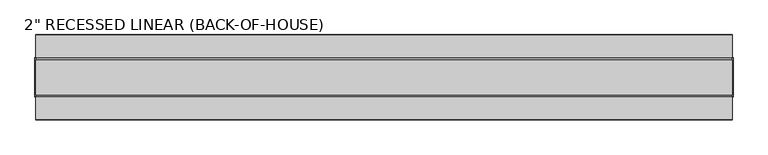
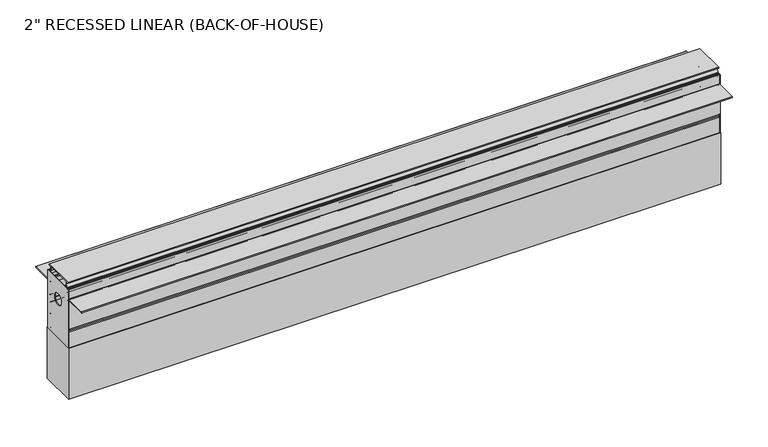
"""IFC4 building model written with IfcOpenShell, lengths in millimetres: light fixture geometry."""

from ifc_helpers import new_model, si_unit, point, frame, frame_2d, origin, place, context, project, spatial, polyline, circle_curve, trimmed, segment, composite_curve, outline, extrude, source, transform, mapped, element, save
from ifc_brep_helpers import plane_surface, cylinder_surface, revolved_surface, advanced_brep


def light_fixture_76d9a781(model_context):
    return source(origin(), model_context, "Body", "SolidModel", [
        extrude(outline(composite_curve([segment(polyline([(33.528, -18.838813), (73.9071029, -18.838813)]), True, "CONTINUOUS"), segment(trimmed(circle_curve(frame_2d((73.9071029, -19.632563)), 0.79375), [point((73.9071029, -18.838813))], [point((73.9071029, -20.426313))], False, "CARTESIAN"), True, "CONTINUOUS"), segment(polyline([(73.9071029, -20.426313), (35.1155, -20.426313), (35.1155, -76.9313912)]), True, "CONTINUOUS"), segment(trimmed(circle_curve(frame_2d((34.32175, -76.9313912)), 0.79375), [point((35.1155, -76.9313912))], [point((33.528, -76.9313912))], False, "CARTESIAN"), True, "CONTINUOUS"), segment(polyline([(33.528, -76.9313912), (33.528, -18.838813)]), True, "CONTINUOUS")], self_intersect=False)), frame((-608.4189202, 0.0, 0.0), z_axis=(1.0, 0.0, 0.0), x_axis=(0.0, 1.0, 0.0)), (0.0, 0.0, 1.0), 1216.8378405),
        extrude(outline(composite_curve([segment(polyline([(-33.528, -18.838813), (-33.528, -76.9313912)]), True, "CONTINUOUS"), segment(trimmed(circle_curve(frame_2d((-34.32175, -76.9313912)), 0.79375), [point((-33.528, -76.9313912))], [point((-35.1155, -76.9313912))], False, "CARTESIAN"), True, "CONTINUOUS"), segment(polyline([(-35.1155, -76.9313912), (-35.1155, -20.426313), (-73.9071029, -20.426313)]), True, "CONTINUOUS"), segment(trimmed(circle_curve(frame_2d((-73.9071029, -19.632563)), 0.79375), [point((-73.9071029, -20.426313))], [point((-73.9071029, -18.838813))], False, "CARTESIAN"), True, "CONTINUOUS"), segment(polyline([(-73.9071029, -18.838813), (-33.528, -18.838813)]), True, "CONTINUOUS")], self_intersect=False)), frame((-608.4189202, 0.0, 0.0), z_axis=(1.0, 0.0, 0.0), x_axis=(0.0, 1.0, 0.0)), (0.0, 0.0, 1.0), 1216.8378405),
        extrude(outline(polyline([(33.528, -114.3), (-33.528, -114.3), (-33.528, 0.0), (33.528, 0.0), (33.528, -114.3)]), holes=[composite_curve([segment(trimmed(circle_curve(frame_2d((0.0, -38.1)), 11.1125), [point((-11.1125, -38.1))], [point((11.1125, -38.1))], True, "CARTESIAN"), True, "CONTINUOUS"), segment(trimmed(circle_curve(frame_2d((0.0, -38.1)), 11.1125), [point((11.1125, -38.1))], [point((-11.1125, -38.1))], True, "CARTESIAN"), True, "CONTINUOUS")], self_intersect=False)]), frame((608.4189202, 0.0, 0.0), z_axis=(1.0, 0.0, 0.0), x_axis=(0.0, 1.0, 0.0)), (0.0, 0.0, 1.0), 1.1810798),
        extrude(outline(polyline([(33.528, -114.3), (-33.528, -114.3), (-33.528, 0.0), (33.528, 0.0), (33.528, -114.3)]), holes=[composite_curve([segment(trimmed(circle_curve(frame_2d((0.0, -38.1)), 11.1125), [point((-11.1125, -38.1))], [point((11.1125, -38.1))], True, "CARTESIAN"), True, "CONTINUOUS"), segment(trimmed(circle_curve(frame_2d((0.0, -38.1)), 11.1125), [point((11.1125, -38.1))], [point((-11.1125, -38.1))], True, "CARTESIAN"), True, "CONTINUOUS")], self_intersect=False)]), frame((-609.6, 0.0, 0.0), z_axis=(1.0, 0.0, 0.0), x_axis=(0.0, 1.0, 0.0)), (0.0, 0.0, 1.0), 1.1810798),
        advanced_brep(
        [(-608.4189202, 26.234971, 10.935191), (-608.4189202, -26.234971, 10.935191), (-608.4189202, -26.4967912, 1.5666257), (-608.4189202, -26.4967912, 0.785577), (-608.4189202, -24.6073013, -1.9153242), (-608.4189202, -25.6831349, -2.6679533), (-608.4189202, -27.9291478, 0.542574), (-608.4189202, -27.9291478, 2.0241601), (-608.4189202, -28.3830967, 10.935191), (-608.4189202, -30.1146223, 10.935191), (-608.4189202, -30.7222948, 12.7), (-608.4189202, 30.7222948, 12.7), (-608.4189202, 30.1146223, 10.935191), (-608.4189202, 28.3830967, 10.935191), (-608.4189202, 27.9291478, 2.0196519), (-608.4189202, 27.9291478, 0.542574), (-608.4189202, 25.6831349, -2.6679533), (-608.4189202, 24.6073013, -1.9153242), (-608.4189202, 26.4967912, 0.785577), (-608.4189202, 26.4967912, 1.5666257), (608.4189202, -26.234971, 10.935191), (608.4189202, 26.234971, 10.935191), (608.4189202, 26.4967912, 1.5666257), (608.4189202, 26.4967912, 0.785577), (608.4189202, 24.6073013, -1.9153242), (608.4189202, 25.6831349, -2.6679533), (608.4189202, 27.9291478, 0.542574), (608.4189202, 27.9291478, 2.0196519), (608.4189202, 28.3830967, 10.935191), (608.4189202, 30.1146223, 10.935191), (608.4189202, 30.7222948, 12.7), (608.4189202, -30.7222948, 12.7), (608.4189202, -30.1146223, 10.935191), (608.4189202, -28.3910342, 10.935191), (608.4189202, -27.9291478, 2.0196519), (608.4189202, -27.9291478, 0.542574), (608.4189202, -25.6831349, -2.6679533), (608.4189202, -24.6073013, -1.9153242), (608.4189202, -26.4967912, 0.785577), (608.4189202, -26.4967912, 1.5666257)],
        [
            (0, 1),
            (1, 2, circle_curve(frame((-608.4189202, -30.3990668, 6.3636225), z_axis=(-1.0, 0.0, 0.0), x_axis=(0.0, 1.0, 0.0)), 6.1837636)),
            (2, 3),
            (3, 4),
            (4, 5),
            (5, 6),
            (6, 7),
            (7, 8, circle_curve(frame((-608.4189202, -30.3911293, 6.3636225), z_axis=(1.0, 0.0, 0.0), x_axis=(0.0, 1.0, 0.0)), 4.9931386)),
            (8, 9),
            (9, 10),
            (10, 11),
            (11, 12),
            (12, 13),
            (13, 14, circle_curve(frame((-608.4189202, 30.3911293, 6.3636225), z_axis=(1.0, 0.0, 0.0), x_axis=(0.0, -1.0, 0.0)), 4.9931386)),
            (14, 15),
            (15, 16),
            (16, 17),
            (17, 18),
            (18, 19),
            (19, 0, circle_curve(frame((-608.4189202, 30.3990668, 6.3636225), z_axis=(-1.0, 0.0, 0.0), x_axis=(0.0, 1.0, 0.0)), 6.1837636)),
            (20, 21),
            (21, 22, circle_curve(frame((608.4189202, 30.3990668, 6.3636225), z_axis=(1.0, 0.0, 0.0), x_axis=(0.0, 1.0, 0.0)), 6.1837636)),
            (22, 23),
            (23, 24),
            (24, 25),
            (25, 26),
            (26, 27),
            (27, 28, circle_curve(frame((608.4189202, 30.3911293, 6.3636225), z_axis=(-1.0, 0.0, 0.0), x_axis=(0.0, -1.0, 0.0)), 4.9931386)),
            (28, 29),
            (29, 30),
            (30, 31),
            (31, 32),
            (32, 33),
            (33, 34, circle_curve(frame((608.4189202, -30.3911293, 6.3636225), z_axis=(-1.0, 0.0, 0.0), x_axis=(0.0, 1.0, 0.0)), 4.9931386)),
            (34, 35),
            (35, 36),
            (36, 37),
            (37, 38),
            (38, 39),
            (39, 20, circle_curve(frame((608.4189202, -30.3990668, 6.3636225), z_axis=(1.0, 0.0, 0.0), x_axis=(0.0, 1.0, 0.0)), 6.1837636)),
            (7, 34),
            (33, 8),
            (1, 20),
            (39, 2),
            (38, 3),
            (37, 4),
            (36, 5),
            (35, 6),
            (32, 9),
            (31, 10),
            (30, 11),
            (29, 12),
            (28, 13),
            (27, 14),
            (26, 15),
            (25, 16),
            (24, 17),
            (23, 18),
            (22, 19),
            (21, 0),
        ],
        [
            plane_surface(frame((-608.4189202, 0.0, -114.3), z_axis=(-1.0, 0.0, 0.0), x_axis=(0.0, 0.0, 1.0))),
            plane_surface(frame((608.4189202, 0.0, -114.3), z_axis=(1.0, 0.0, 0.0), x_axis=(0.0, 0.0, 1.0))),
            revolved_surface(polyline([(608.4189202, -25.3979907, 6.3636225), (-608.4189202, -25.3979907, 6.3636225)]), (-608.4189202, -30.3911293, 6.3636225), (1.0, 0.0, 0.0)),
            cylinder_surface(frame((-608.4189202, -30.3990668, 6.3636225), z_axis=(-1.0, 0.0, 0.0), x_axis=(0.0, 1.0, 0.0)), 6.1837636),
            plane_surface(frame((-608.4189202, -26.4967912, 1.5666257), z_axis=(0.0, 1.0, 0.0), x_axis=(1.0, 0.0, 0.0))),
            plane_surface(frame((-608.4189202, -26.4967912, 0.785577), z_axis=(0.0, 0.8193944977057841, 0.5732300211341742), x_axis=(1.0, 0.0, 0.0))),
            plane_surface(frame((-608.4189202, -24.6073013, -1.9153242), z_axis=(0.0, 0.573230021134175, -0.8193944977057835), x_axis=(1.0, 0.0, 0.0))),
            plane_surface(frame((-608.4189202, -25.6831349, -2.6679533), z_axis=(0.0, -0.8193944977057843, -0.5732300211341738), x_axis=(1.0, 0.0, 0.0))),
            plane_surface(frame((-608.4189202, -27.9291478, 0.542574), z_axis=(0.0, -1.0, 0.0), x_axis=(1.0, 0.0, 0.0))),
            plane_surface(frame((-608.4189202, -28.3910342, 10.935191), z_axis=(0.0, 0.0, -1.0), x_axis=(1.0, 0.0, 0.0))),
            plane_surface(frame((-608.4189202, -30.1146223, 10.935191), z_axis=(0.0, -0.9455185755993138, -0.3255681544571656), x_axis=(1.0, 0.0, 0.0))),
            plane_surface(frame((-608.4189202, 0.0, 12.7), z_axis=(0.0, 0.0, 1.0), x_axis=(1.0, 0.0, 0.0))),
            plane_surface(frame((-608.4189202, 30.7222948, 12.7), z_axis=(0.0, 0.9455185755992926, -0.32556815445722714), x_axis=(1.0, 0.0, 0.0))),
            plane_surface(frame((-608.4189202, 30.1146223, 10.935191), z_axis=(0.0, 0.0, -1.0), x_axis=(1.0, 0.0, 0.0))),
            revolved_surface(polyline([(608.4189202, 25.3979907, 6.3636225), (-608.4189202, 25.3979907, 6.3636225)]), (-608.4189202, 30.3911293, 6.3636225), (1.0, 0.0, 0.0)),
            plane_surface(frame((-608.4189202, 27.9291478, 2.0196519), z_axis=(0.0, 1.0, 0.0), x_axis=(1.0, 0.0, 0.0))),
            plane_surface(frame((-608.4189202, 27.9291478, 0.542574), z_axis=(0.0, 0.8193944977057843, -0.5732300211341738), x_axis=(1.0, 0.0, 0.0))),
            plane_surface(frame((-608.4189202, 25.6831349, -2.6679533), z_axis=(0.0, -0.573230021134174, -0.8193944977057843), x_axis=(1.0, 0.0, 0.0))),
            plane_surface(frame((-608.4189202, 24.6073013, -1.9153242), z_axis=(0.0, -0.8193944977057843, 0.5732300211341739), x_axis=(1.0, 0.0, 0.0))),
            plane_surface(frame((-608.4189202, 26.4967912, 0.785577), z_axis=(0.0, -1.0, 0.0), x_axis=(1.0, 0.0, 0.0))),
            cylinder_surface(frame((-608.4189202, 30.3990668, 6.3636225), z_axis=(-1.0, 0.0, 0.0), x_axis=(0.0, 1.0, 0.0)), 6.1837636),
            plane_surface(frame((-608.4189202, 0.0, 10.935191), z_axis=(0.0, 0.0, -1.0), x_axis=(1.0, 0.0, 0.0))),
        ],
        [
            (0, [[1, 2, 3, 4, 5, 6, 7, 8, 9, 10, 11, 12, 13, 14, 15, 16, 17, 18, 19, 20]]),
            (1, [[21, 22, 23, 24, 25, 26, 27, 28, 29, 30, 31, 32, 33, 34, 35, 36, 37, 38, 39, 40]]),
            (2, [[-8, 41, -34, 42]]),
            (3, [[-2, 43, -40, 44]]),
            (4, [[-3, -44, -39, 45]]),
            (5, [[-4, -45, -38, 46]]),
            (6, [[-5, -46, -37, 47]]),
            (7, [[-6, -47, -36, 48]]),
            (8, [[-7, -48, -35, -41]]),
            (9, [[-9, -42, -33, 49]]),
            (10, [[-10, -49, -32, 50]]),
            (11, [[-50, -31, 51, -11]]),
            (12, [[-12, -51, -30, 52]]),
            (13, [[-13, -52, -29, 53]]),
            (14, [[-14, -53, -28, 54]]),
            (15, [[-15, -54, -27, 55]]),
            (16, [[-16, -55, -26, 56]]),
            (17, [[-17, -56, -25, 57]]),
            (18, [[-18, -57, -24, 58]]),
            (19, [[-19, -58, -23, 59]]),
            (20, [[-20, -59, -22, 60]]),
            (21, [[-60, -21, -43, -1]]),
        ],
    ),
        extrude(outline(composite_curve([segment(polyline([(31.6080887, 0.0), (33.528, 0.0), (33.528, -17.740729), (30.246314, -17.740729)]), True, "CONTINUOUS"), segment(trimmed(circle_curve(frame_2d((29.2219598, -19.1290455)), 1.7253185), [point((30.246314, -17.740729))], [point((30.246314, -20.5173619))], True, "CARTESIAN"), True, "CONTINUOUS"), segment(polyline([(30.246314, -20.5173619), (33.528, -20.5173619), (33.528, -43.2090632), (30.246314, -43.2090632)]), True, "CONTINUOUS"), segment(trimmed(circle_curve(frame_2d((29.2219598, -44.5973796)), 1.7253185), [point((30.246314, -43.2090632))], [point((30.246314, -45.9856961))], True, "CARTESIAN"), True, "CONTINUOUS"), segment(polyline([(30.246314, -45.9856961), (33.528, -45.9856961), (33.528, -55.8711308), (30.246314, -55.8711308)]), True, "CONTINUOUS"), segment(trimmed(circle_curve(frame_2d((29.2219598, -57.2594472)), 1.7253185), [point((30.246314, -55.8711308))], [point((30.246314, -58.6477637))], True, "CARTESIAN"), True, "CONTINUOUS"), segment(polyline([(30.246314, -58.6477637), (33.528, -58.6477637), (33.528, -81.2602392), (30.246314, -81.2602392)]), True, "CONTINUOUS"), segment(trimmed(circle_curve(frame_2d((29.2219598, -82.6485557)), 1.7253185), [point((30.246314, -81.2602392))], [point((30.246314, -84.0368721))], True, "CARTESIAN"), True, "CONTINUOUS"), segment(polyline([(30.246314, -84.0368721), (33.528, -84.0368721), (33.528, -114.3), (25.0532816, -114.3), (20.6233969, -106.9274337), (19.6298884, -106.9274337), (19.6298884, -114.3), (17.4096667, -114.3), (17.4096667, -106.9274337), (3.6393029, -106.9274337), (3.6393029, -114.3), (-3.6393029, -114.3), (-3.6393029, -106.9274337), (-17.4096667, -106.9274337), (-17.4096667, -114.3), (-19.6298884, -114.3), (-19.6298884, -106.9274337), (-20.6233969, -106.9274337), (-25.0532816, -114.3), (-33.528, -114.3), (-33.528, -84.0368721), (-30.246314, -84.0368721)]), True, "CONTINUOUS"), segment(trimmed(circle_curve(frame_2d((-29.2219598, -82.6485557)), 1.7253185), [point((-30.246314, -84.0368721))], [point((-30.246314, -81.2602392))], True, "CARTESIAN"), True, "CONTINUOUS"), segment(polyline([(-30.246314, -81.2602392), (-33.528, -81.2602392), (-33.528, -58.6477637), (-30.246314, -58.6477637)]), True, "CONTINUOUS"), segment(trimmed(circle_curve(frame_2d((-29.2219598, -57.2594472)), 1.7253185), [point((-30.246314, -58.6477637))], [point((-30.246314, -55.8711308))], True, "CARTESIAN"), True, "CONTINUOUS"), segment(polyline([(-30.246314, -55.8711308), (-33.528, -55.8711308), (-33.528, -45.9856961), (-30.246314, -45.9856961)]), True, "CONTINUOUS"), segment(trimmed(circle_curve(frame_2d((-29.2219598, -44.5973796)), 1.7253185), [point((-30.246314, -45.9856961))], [point((-30.246314, -43.2090632))], True, "CARTESIAN"), True, "CONTINUOUS"), segment(polyline([(-30.246314, -43.2090632), (-33.528, -43.2090632), (-33.528, -20.5173619), (-30.246314, -20.5173619)]), True, "CONTINUOUS"), segment(trimmed(circle_curve(frame_2d((-29.2219598, -19.1290455)), 1.7253185), [point((-30.246314, -20.5173619))], [point((-30.246314, -17.740729))], True, "CARTESIAN"), True, "CONTINUOUS"), segment(polyline([(-30.246314, -17.740729), (-33.528, -17.740729), (-33.528, 0.0), (-31.6080887, 0.0), (-30.3676884, -3.6023841), (-28.3830967, -3.6023841), (-28.3830967, -1.764809)]), True, "CONTINUOUS"), segment(trimmed(circle_curve(frame_2d((-30.3911293, -6.3363775)), 4.9931386), [point((-28.3830967, -1.764809))], [point((-26.8167742, -9.8228398))], False, "CARTESIAN"), True, "CONTINUOUS"), segment(polyline([(-26.8167742, -9.8228398), (-28.1973035, -8.622764)]), True, "CONTINUOUS"), segment(trimmed(circle_curve(frame_2d((-29.5573122, -7.4172109)), 1.8174107), [point((-28.1973035, -8.622764))], [point((-30.9173208, -8.622764))], True, "CARTESIAN"), True, "CONTINUOUS"), segment(polyline([(-30.9173208, -8.622764), (-30.9173208, -15.1968817), (-28.1492229, -15.1968817)]), True, "CONTINUOUS"), segment(trimmed(circle_curve(frame_2d((-29.4063715, -19.2730322)), 4.2656097), [point((-28.1492229, -15.1968817))], [point((-29.6191638, -23.5333309))], False, "CARTESIAN"), True, "CONTINUOUS"), segment(trimmed(circle_curve(frame_2d((-30.4552759, -23.7089533)), 0.8543575), [point((-29.6191638, -23.5333309))], [point((-31.2913881, -23.5333309))], True, "CARTESIAN"), True, "CONTINUOUS"), segment(polyline([(-31.2913881, -23.5333309), (-31.2913881, -40.5581263), (-27.4949651, -40.5581263), (-27.4949651, -39.3477711), (-25.1396794, -39.3477711), (-25.1396794, -45.9856961), (-21.6721755, -45.9856961), (-21.6721755, -40.5581263), (-19.5785882, -40.5581263), (-19.5785882, -46.6426143)]), True, "CONTINUOUS"), segment(trimmed(circle_curve(frame_2d((-21.3624169, -46.6426143)), 1.7838287), [point((-19.5785882, -46.6426143))], [point((-21.6721755, -48.3993427))], False, "CARTESIAN"), True, "CONTINUOUS"), segment(polyline([(-21.6721755, -48.3993427), (-31.2913881, -48.3993427), (-31.2913881, -53.446773), (-28.7053203, -53.446773)]), True, "CONTINUOUS"), segment(trimmed(circle_curve(frame_2d((-28.7053203, -57.3395369)), 3.8927639), [point((-28.7053203, -53.446773))], [point((-28.7053203, -61.2323008))], False, "CARTESIAN"), True, "CONTINUOUS"), segment(polyline([(-28.7053203, -61.2323008), (-31.2913881, -61.2323008), (-31.2913881, -78.8770959), (-28.7567321, -78.8770959)]), True, "CONTINUOUS"), segment(trimmed(circle_curve(frame_2d((-28.7567321, -82.7142488)), 3.837153), [point((-28.7567321, -78.8770959))], [point((-28.7567321, -86.5514018))], False, "CARTESIAN"), True, "CONTINUOUS"), segment(polyline([(-28.7567321, -86.5514018), (-31.2913881, -86.5514018), (-31.2913881, -106.5404775), (-29.2988238, -106.5404775), (-29.2988238, -108.3085774)]), True, "CONTINUOUS"), segment(trimmed(circle_curve(frame_2d((-29.2988238, -110.2459634)), 1.9373861), [point((-29.2988238, -108.3085774))], [point((-27.3614377, -110.2459634))], True, "CARTESIAN"), True, "CONTINUOUS"), segment(polyline([(-27.3614377, -110.2459634), (-25.3488134, -110.2459634), (-22.0529453, -104.7607178), (-1.6885164, -104.7607178), (-1.6885164, -112.3048142), (1.6885164, -112.3048142), (1.6885164, -104.7607178), (22.0529453, -104.7607178), (25.3488134, -110.2459634), (27.3614377, -110.2459634)]), True, "CONTINUOUS"), segment(trimmed(circle_curve(frame_2d((29.2988238, -110.2459634)), 1.9373861), [point((27.3614377, -110.2459634))], [point((29.2988238, -108.3085774))], True, "CARTESIAN"), True, "CONTINUOUS"), segment(polyline([(29.2988238, -108.3085774), (29.2988238, -106.5404775), (31.2913881, -106.5404775), (31.2913881, -86.5514018), (28.7567321, -86.5514018)]), True, "CONTINUOUS"), segment(trimmed(circle_curve(frame_2d((28.7567321, -82.7142488)), 3.837153), [point((28.7567321, -86.5514018))], [point((28.7567321, -78.8770959))], False, "CARTESIAN"), True, "CONTINUOUS"), segment(polyline([(28.7567321, -78.8770959), (31.2913881, -78.8770959), (31.2913881, -61.2323008), (28.7053203, -61.2323008)]), True, "CONTINUOUS"), segment(trimmed(circle_curve(frame_2d((28.7053203, -57.3395369)), 3.8927639), [point((28.7053203, -61.2323008))], [point((28.7053203, -53.446773))], False, "CARTESIAN"), True, "CONTINUOUS"), segment(polyline([(28.7053203, -53.446773), (31.2913881, -53.446773), (31.2913881, -48.3993427), (21.6721755, -48.3993427)]), True, "CONTINUOUS"), segment(trimmed(circle_curve(frame_2d((21.3624169, -46.6426143)), 1.7838287), [point((21.6721755, -48.3993427))], [point((19.5785882, -46.6426143))], False, "CARTESIAN"), True, "CONTINUOUS"), segment(polyline([(19.5785882, -46.6426143), (19.5785882, -40.5581263), (21.6721755, -40.5581263), (21.6721755, -45.9856961), (25.1396794, -45.9856961), (25.1396794, -39.3477711), (27.4949651, -39.3477711), (27.4949651, -40.5581263), (31.2913881, -40.5581263), (31.2913881, -23.5333309)]), True, "CONTINUOUS"), segment(trimmed(circle_curve(frame_2d((30.4552759, -23.7089533)), 0.8543575), [point((31.2913881, -23.5333309))], [point((29.6191638, -23.5333309))], True, "CARTESIAN"), True, "CONTINUOUS"), segment(trimmed(circle_curve(frame_2d((29.4063715, -19.2730322)), 4.2656097), [point((29.6191638, -23.5333309))], [point((28.1492229, -15.1968817))], False, "CARTESIAN"), True, "CONTINUOUS"), segment(polyline([(28.1492229, -15.1968817), (30.9173208, -15.1968817), (30.9173208, -8.622764)]), True, "CONTINUOUS"), segment(trimmed(circle_curve(frame_2d((29.5573122, -7.4172109)), 1.8174107), [point((30.9173208, -8.622764))], [point((28.1973035, -8.622764))], True, "CARTESIAN"), True, "CONTINUOUS"), segment(polyline([(28.1973035, -8.622764), (26.8167742, -9.8228398)]), True, "CONTINUOUS"), segment(trimmed(circle_curve(frame_2d((30.3911293, -6.3363775)), 4.9931386), [point((26.8167742, -9.8228398))], [point((28.3830967, -1.764809))], False, "CARTESIAN"), True, "CONTINUOUS"), segment(polyline([(28.3830967, -1.764809), (28.3830967, -3.6023841), (30.3676884, -3.6023841), (31.6080887, 0.0)]), True, "CONTINUOUS")], self_intersect=False)), frame((-608.4189202, 0.0, 0.0), z_axis=(1.0, 0.0, 0.0), x_axis=(0.0, 1.0, 0.0)), (0.0, 0.0, 1.0), 1216.8378405),
        extrude(outline(polyline([(609.6, 34.4851767), (609.6, -34.4851767), (-609.6, -34.4851767), (-609.6, 34.4851767), (609.6, 34.4851767)])), frame((0.0, 0.0, -215.9), z_axis=(0.0, 0.0, 1.0), x_axis=(1.0, 0.0, 0.0)), (0.0, 0.0, 1.0), 101.6),
    ])


if __name__ == "__main__":
    model = new_model("IFC4")
    model_context = context("Model", 3, world=origin())
    ifc_project = project(units=[si_unit("LENGTHUNIT", "METRE", prefix="MILLI")], contexts=[model_context])
    site = spatial("IfcSite", under=ifc_project)
    building = spatial("IfcBuilding", under=site)
    placement = place(None, origin())
    light_fixture_shape = light_fixture_76d9a781(model_context)
    element("IfcLightFixture", 1, ObjectType="2\" RECESSED LINEAR (BACK-OF-HOUSE)", at=placement, inside=building, context=model_context, shape_type="MappedRepresentation", body=[
        mapped(light_fixture_shape, transform((0.0, 0.0, 0.0), x_axis=(1.0, 0.0, 0.0), y_axis=(0.0, 1.0, 0.0), z_axis=(0.0, 0.0, 1.0))),
    ])
    save(model, "model.ifc")
